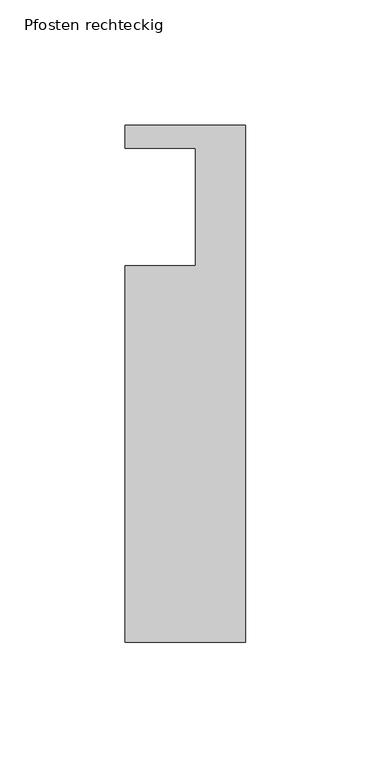
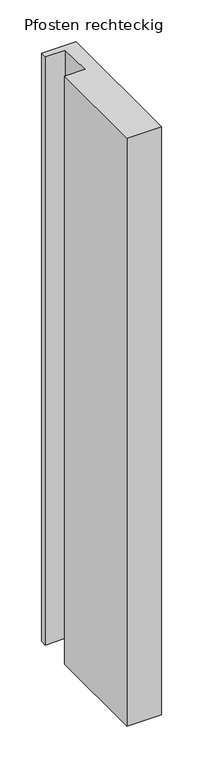
"""IFC4 building model written with IfcOpenShell, lengths in millimetres: member geometry, Pfosten rechteckig."""

from ifc_helpers import new_model, si_unit, frame, origin, place, context, project, spatial, polyline, outline, extrude, source, transform, mapped, element, save


def pfosten_rechteckig_98aa563b(model_context):
    return source(origin(), model_context, "Body", "SweptSolid", [
        extrude(outline(polyline([(0.0, -10.0), (0.0, -216.0), (-48.0, -216.0), (-48.0, -66.0), (-20.0, -66.0), (-20.0, -19.0), (-48.0, -19.0), (-48.0, -10.0), (0.0, -10.0)])), frame((0.0, 0.0, -864.0), z_axis=(0.0, 0.0, 1.0), x_axis=(1.0, 0.0, 0.0)), (0.0, 0.0, 1.0), 864.0),
    ])


if __name__ == "__main__":
    model = new_model("IFC4")
    model_context = context("Model", 3, world=origin())
    ifc_project = project(units=[si_unit("LENGTHUNIT", "METRE", prefix="MILLI")], contexts=[model_context])
    site = spatial("IfcSite", under=ifc_project)
    building = spatial("IfcBuilding", under=site)
    placement = place(None, origin())
    pfosten_rechteckig_shape = pfosten_rechteckig_98aa563b(model_context)
    element("IfcMember", 1, ObjectType="Pfosten rechteckig", at=placement, inside=building, context=model_context, shape_type="MappedRepresentation", body=[
        mapped(pfosten_rechteckig_shape, transform((0.0, 0.0, 0.0), x_axis=(1.0, 0.0, 0.0), y_axis=(0.0, 1.0, 0.0), z_axis=(0.0, 0.0, 1.0))),
    ])
    save(model, "model.ifc")
